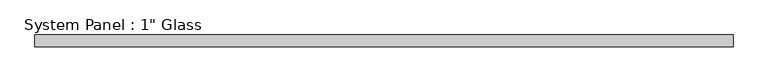
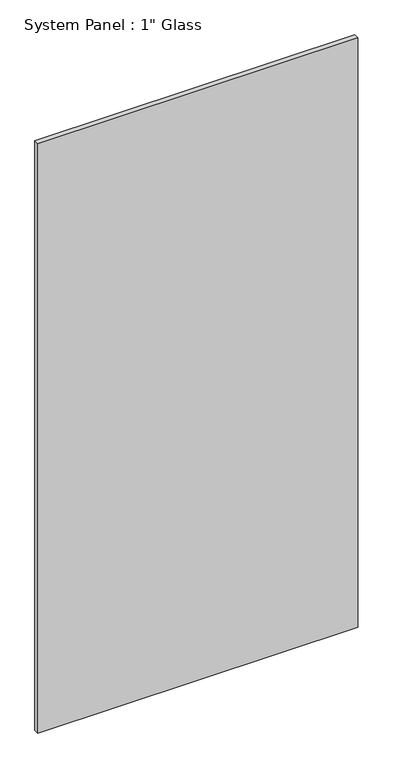
"""IFC4 building model written with IfcOpenShell, lengths in millimetres: plate geometry."""

from ifc_helpers import new_model, si_unit, origin, origin_with_axes, place, context, project, spatial, polyline, outline, extrude, source, transform, mapped, element, save


def plate_e4c7d0e6(model_context):
    return source(origin(), model_context, "Body", "SweptSolid", [
        extrude(outline(polyline([(759.2591185, -12.7), (-759.2591185, -12.7), (-759.2591185, 12.7), (759.2591185, 12.7), (759.2591185, -12.7)])), origin_with_axes(), (0.0, 0.0, 1.0), 2959.1),
    ])


if __name__ == "__main__":
    model = new_model("IFC4")
    model_context = context("Model", 3, world=origin())
    ifc_project = project(units=[si_unit("LENGTHUNIT", "METRE", prefix="MILLI")], contexts=[model_context])
    site = spatial("IfcSite", under=ifc_project)
    building = spatial("IfcBuilding", under=site)
    placement = place(None, origin())
    plate_shape = plate_e4c7d0e6(model_context)
    element("IfcPlate", 1, ObjectType="System Panel : 1\" Glass", at=placement, inside=building, context=model_context, shape_type="MappedRepresentation", body=[
        mapped(plate_shape, transform((0.0, 0.0, 0.0), x_axis=(1.0, 0.0, 0.0), y_axis=(0.0, 1.0, 0.0), z_axis=(0.0, 0.0, 1.0))),
    ])
    save(model, "model.ifc")
